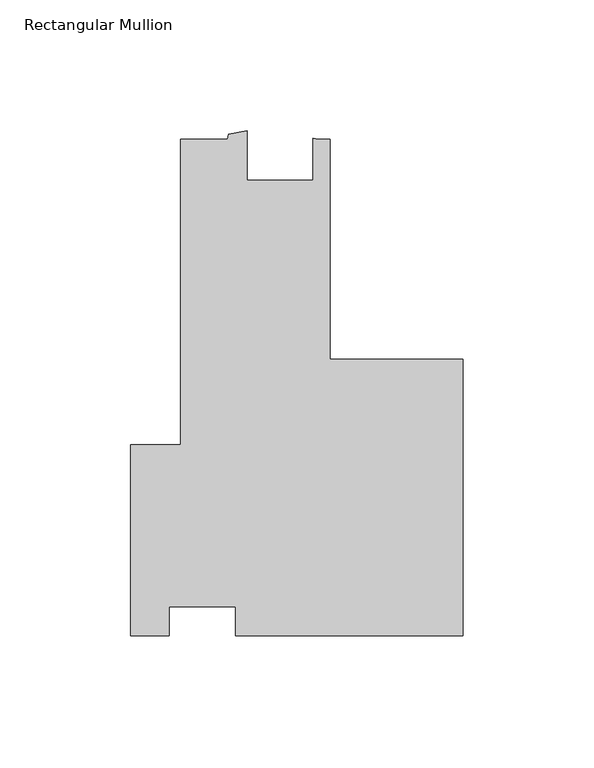
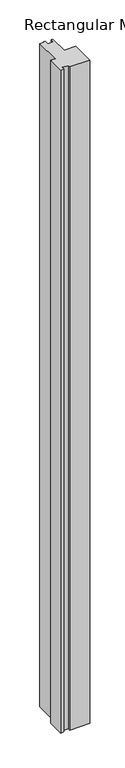
"""IFC4 building model written with IfcOpenShell, lengths in millimetres: member geometry, Rectangular Mullion."""

from ifc_helpers import new_model, si_unit, frame, origin, place, context, project, spatial, polyline, outline, extrude, source, transform, mapped, element, save


def rectangular_mullion_9e44cf3d(model_context):
    return source(origin(), model_context, "Body", "SweptSolid", [
        extrude(outline(polyline([(-112.3969008, -60.3123), (-126.996369, -60.3123), (-126.996369, 12.7), (-107.946369, 12.7), (-107.946369, 129.3812501), (-90.0274448, 129.3812501), (-89.7027387, 131.2227501), (-82.546369, 132.5417122), (-82.546369, 113.7602501), (-57.3621659, 113.7602501), (-57.3621659, 129.6984957), (-55.500925, 129.38125), (-50.796369, 129.38125), (-50.796369, 45.2374), (0.0, 45.2374), (0.0, -60.3123), (-86.9969008, -60.3123), (-86.9969008, -49.1998), (-112.3969008, -49.1998), (-112.3969008, -60.3123)])), frame((0.0, 0.0, -3048.0), z_axis=(0.0, 0.0, 1.0), x_axis=(1.0, 0.0, 0.0)), (0.0, 0.0, 1.0), 3048.0),
    ])


if __name__ == "__main__":
    model = new_model("IFC4")
    model_context = context("Model", 3, world=origin())
    ifc_project = project(units=[si_unit("LENGTHUNIT", "METRE", prefix="MILLI")], contexts=[model_context])
    site = spatial("IfcSite", under=ifc_project)
    building = spatial("IfcBuilding", under=site)
    placement = place(None, origin())
    rectangular_mullion_shape = rectangular_mullion_9e44cf3d(model_context)
    element("IfcMember", 1, ObjectType="Rectangular Mullion", at=placement, inside=building, context=model_context, shape_type="MappedRepresentation", body=[
        mapped(rectangular_mullion_shape, transform((0.0, 0.0, 0.0), x_axis=(1.0, 0.0, 0.0), y_axis=(0.0, 1.0, 0.0), z_axis=(0.0, 0.0, 1.0))),
    ])
    save(model, "model.ifc")
